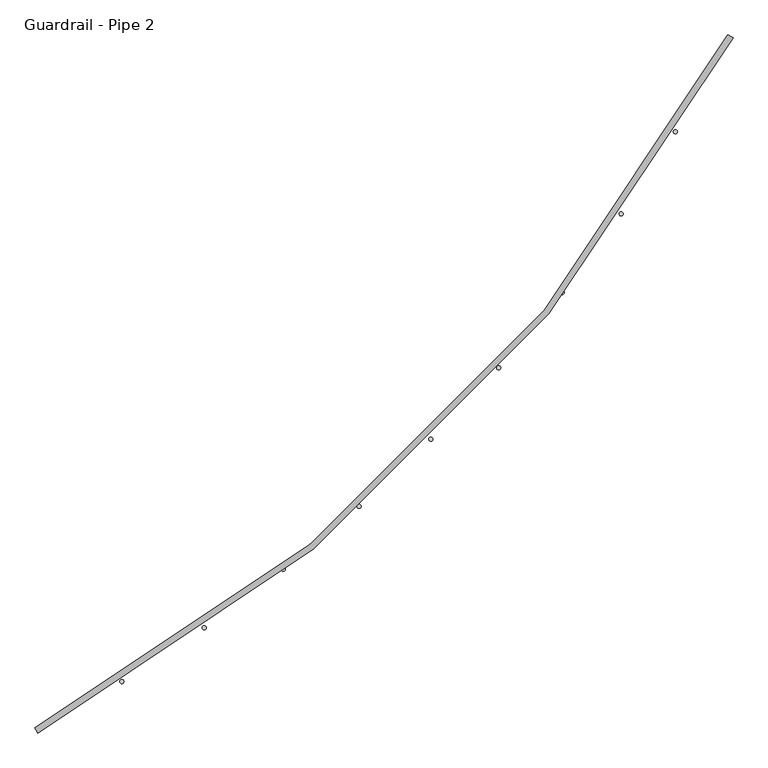
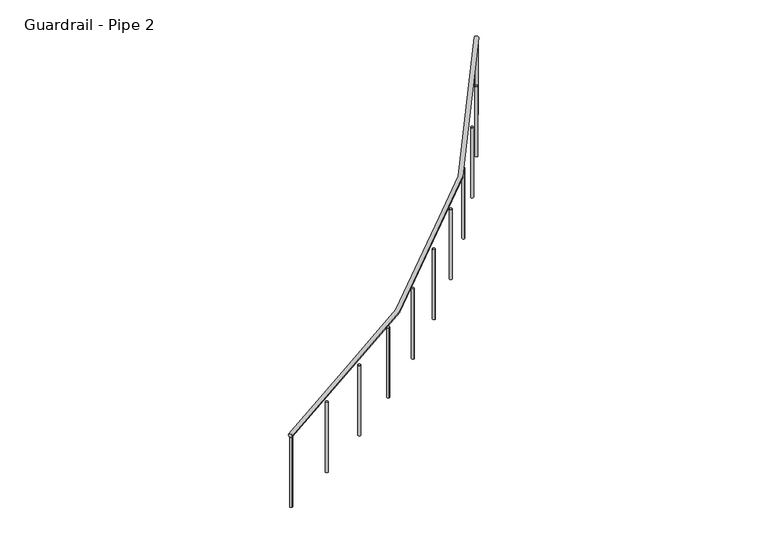
"""IFC4 building model written with IfcOpenShell, lengths in millimetres: railing geometry, Guardrail - Pipe 2."""

from ifc_helpers import new_model, si_unit, point, frame, frame_2d, origin, place, context, project, spatial, circle_curve, ellipse_curve, trimmed, segment, composite_curve, outline, extrude, source, transform, mapped, element, save
from ifc_brep_helpers import plane_surface, revolved_surface, advanced_brep


def guardrail_pipe_2_d2180167(model_context):
    return source(origin(), model_context, "Body", "SolidModel", [
        advanced_brep(
        [(572493.4695853, -280436.2315517, 5010.15), (568187.048997, -284742.65214, 5010.15), (568169.1195853, -284709.0344929, 5010.15), (572459.8519382, -280418.30214, 5010.15)],
        [
            (0, 1, circle_curve(frame((563265.4254676, -275514.6080223, 5010.15), z_axis=(0.0, 0.0, -1.0), x_axis=(0.4705882352937801, -0.8823529411766506, 0.0)), 10458.45)),
            (1, 2, circle_curve(frame((568178.0842911, -284725.8433165, 5010.15), z_axis=(0.8823529411766499, 0.4705882352937815, 0.0), x_axis=(-0.4705882352937815, 0.8823529411766499, 0.0)), 19.05)),
            (2, 3, circle_curve(frame((563265.4254676, -275514.6080223, 5010.15), z_axis=(0.0, 0.0, 1.0), x_axis=(0.4705882352937801, -0.8823529411766506, 0.0)), 10420.35)),
            (3, 0, circle_curve(frame((572476.6607617, -280427.2668459, 5010.15), z_axis=(-0.47058823529380517, -0.8823529411766373, 0.0), x_axis=(-0.8823529411766373, 0.47058823529380517, 0.0)), 19.05)),
            (2, 1, circle_curve(frame((568178.0842911, -284725.8433165, 5010.15), z_axis=(0.8823529411766499, 0.4705882352937815, 0.0), x_axis=(-0.4705882352937815, 0.8823529411766499, 0.0)), 19.05)),
            (0, 3, circle_curve(frame((572476.6607617, -280427.2668459, 5010.15), z_axis=(-0.4705882352938036, -0.8823529411766381, 0.0), x_axis=(-0.8823529411766381, 0.4705882352938036, 0.0)), 19.05)),
        ],
        [
            revolved_surface(trimmed(ellipse_curve(frame((568178.0842911, -284725.8433165, 5010.15), z_axis=(-0.8823529411766506, -0.4705882352937801, 0.0), x_axis=(-0.4705882352937801, 0.8823529411766506, 0.0)), 19.05, 19.05), [point((568169.1195853, -284709.0344929, 5010.15))], [point((568187.048997, -284742.65214, 5010.15))], True, "CARTESIAN"), (563265.4254676, -275514.6080223, 5029.2), (0.0, 0.0, 1.0)),
            revolved_surface(trimmed(ellipse_curve(frame((568178.0842911, -284725.8433165, 5010.15), z_axis=(-0.8823529411766506, -0.4705882352937801, 0.0), x_axis=(-0.4705882352937801, 0.8823529411766506, 0.0)), 19.05, 19.05), [point((568187.048997, -284742.65214, 5010.15))], [point((568169.1195853, -284709.0344929, 5010.15))], True, "CARTESIAN"), (563265.4254676, -275514.6080223, 5029.2), (0.0, 0.0, 1.0)),
            plane_surface(frame((568178.0842911, -284725.8433165, 5029.2), z_axis=(-0.8823529411766506, -0.4705882352937801, 0.0), x_axis=(0.4705882352937801, -0.8823529411766506, 0.0))),
            plane_surface(frame((572476.6607617, -280427.2668459, 5029.2), z_axis=(0.4705882352938082, 0.8823529411766357, 0.0), x_axis=(0.8823529411766357, -0.4705882352938082, 0.0))),
        ],
        [
            (0, [[1, 2, 3, 4]]),
            (1, [[-3, 5, -1, 6]]),
            (2, [[-5, -2]]),
            (3, [[-4, -6]]),
        ],
    ),
        extrude(outline(composite_curve([segment(trimmed(circle_curve(frame_2d((572442.3450203, -280491.0746286)), 12.7), [point((572453.509156, -280497.1287242))], [point((572431.1808846, -280485.020533))], False, "CARTESIAN"), True, "CONTINUOUS"), segment(trimmed(circle_curve(frame_2d((572442.3450203, -280491.0746286)), 12.7), [point((572431.1808846, -280485.020533))], [point((572453.509156, -280497.1287242))], False, "CARTESIAN"), True, "CONTINUOUS")], self_intersect=False)), frame((0.0, 0.0, 4267.2), z_axis=(0.0, 0.0, 1.0), x_axis=(1.0, 0.0, 0.0)), (0.0, 0.0, 1.0), 723.9),
        extrude(outline(composite_curve([segment(trimmed(circle_curve(frame_2d((572136.2719093, -281018.1664865)), 12.7), [point((572147.0636932, -281024.8618131))], [point((572125.4801253, -281011.4711599))], False, "CARTESIAN"), True, "CONTINUOUS"), segment(trimmed(circle_curve(frame_2d((572136.2719093, -281018.1664865)), 12.7), [point((572125.4801253, -281011.4711599))], [point((572147.0636932, -281024.8618131))], False, "CARTESIAN"), True, "CONTINUOUS")], self_intersect=False)), frame((0.0, 0.0, 4267.2), z_axis=(0.0, 0.0, 1.0), x_axis=(1.0, 0.0, 0.0)), (0.0, 0.0, 1.0), 723.9),
        extrude(outline(composite_curve([segment(trimmed(circle_curve(frame_2d((571799.9588885, -281526.4972136)), 12.7), [point((571810.3415326, -281533.8109474))], [point((571789.5762444, -281519.1834798))], False, "CARTESIAN"), True, "CONTINUOUS"), segment(trimmed(circle_curve(frame_2d((571799.9588885, -281526.4972136)), 12.7), [point((571789.5762444, -281519.1834798))], [point((571810.3415326, -281533.8109474))], False, "CARTESIAN"), True, "CONTINUOUS")], self_intersect=False)), frame((0.0, 0.0, 4267.2), z_axis=(0.0, 0.0, 1.0), x_axis=(1.0, 0.0, 0.0)), (0.0, 0.0, 1.0), 723.9),
        extrude(outline(composite_curve([segment(trimmed(circle_curve(frame_2d((571434.5524186, -282014.3339565)), 12.7), [point((571444.4905292, -282022.2411657))], [point((571424.6143079, -282006.4267473))], False, "CARTESIAN"), True, "CONTINUOUS"), segment(trimmed(circle_curve(frame_2d((571434.5524186, -282014.3339565)), 12.7), [point((571424.6143079, -282006.4267473))], [point((571444.4905292, -282022.2411657))], False, "CARTESIAN"), True, "CONTINUOUS")], self_intersect=False)), frame((0.0, 0.0, 4267.2), z_axis=(0.0, 0.0, 1.0), x_axis=(1.0, 0.0, 0.0)), (0.0, 0.0, 1.0), 723.9),
        extrude(outline(composite_curve([segment(trimmed(circle_curve(frame_2d((571041.2981369, -282480.0137241)), 12.7), [point((571050.7578361, -282488.4874537))], [point((571031.8384378, -282471.5399945))], False, "CARTESIAN"), True, "CONTINUOUS"), segment(trimmed(circle_curve(frame_2d((571041.2981369, -282480.0137241)), 12.7), [point((571031.8384378, -282471.5399945))], [point((571050.7578361, -282488.4874537))], False, "CARTESIAN"), True, "CONTINUOUS")], self_intersect=False)), frame((0.0, 0.0, 4267.2), z_axis=(0.0, 0.0, 1.0), x_axis=(1.0, 0.0, 0.0)), (0.0, 0.0, 1.0), 723.9),
        extrude(outline(composite_curve([segment(trimmed(circle_curve(frame_2d((570621.5366117, -282921.9490564)), 12.7), [point((570630.4856521, -282930.9604202))], [point((570612.5875714, -282912.9376926))], False, "CARTESIAN"), True, "CONTINUOUS"), segment(trimmed(circle_curve(frame_2d((570621.5366117, -282921.9490564)), 12.7), [point((570612.5875714, -282912.9376926))], [point((570630.4856521, -282930.9604202))], False, "CARTESIAN"), True, "CONTINUOUS")], self_intersect=False)), frame((0.0, 0.0, 4267.2), z_axis=(0.0, 0.0, 1.0), x_axis=(1.0, 0.0, 0.0)), (0.0, 0.0, 1.0), 723.9),
        extrude(outline(composite_curve([segment(trimmed(circle_curve(frame_2d((570176.6987719, -283338.633436)), 12.7), [point((570185.1066469, -283348.1517151))], [point((570168.2908968, -283329.1151569))], False, "CARTESIAN"), True, "CONTINUOUS"), segment(trimmed(circle_curve(frame_2d((570176.6987719, -283338.633436)), 12.7), [point((570168.2908968, -283329.1151569))], [point((570185.1066469, -283348.1517151))], False, "CARTESIAN"), True, "CONTINUOUS")], self_intersect=False)), frame((0.0, 0.0, 4267.2), z_axis=(0.0, 0.0, 1.0), x_axis=(1.0, 0.0, 0.0)), (0.0, 0.0, 1.0), 723.9),
        extrude(outline(composite_curve([segment(trimmed(circle_curve(frame_2d((569708.3010291, -283728.6464237)), 12.7), [point((569716.1390772, -283738.6391712))], [point((569700.462981, -283718.6536763))], False, "CARTESIAN"), True, "CONTINUOUS"), segment(trimmed(circle_curve(frame_2d((569708.3010291, -283728.6464237)), 12.7), [point((569700.462981, -283718.6536763))], [point((569716.1390772, -283738.6391712))], False, "CARTESIAN"), True, "CONTINUOUS")], self_intersect=False)), frame((0.0, 0.0, 4267.2), z_axis=(0.0, 0.0, 1.0), x_axis=(1.0, 0.0, 0.0)), (0.0, 0.0, 1.0), 723.9),
        extrude(outline(composite_curve([segment(trimmed(circle_curve(frame_2d((569217.9401088, -284090.6585006)), 12.7), [point((569225.1816108, -284101.0916521))], [point((569210.6986068, -284080.2253492))], False, "CARTESIAN"), True, "CONTINUOUS"), segment(trimmed(circle_curve(frame_2d((569217.9401088, -284090.6585006)), 12.7), [point((569210.6986068, -284080.2253492))], [point((569225.1816108, -284101.0916521))], False, "CARTESIAN"), True, "CONTINUOUS")], self_intersect=False)), frame((0.0, 0.0, 4267.2), z_axis=(0.0, 0.0, 1.0), x_axis=(1.0, 0.0, 0.0)), (0.0, 0.0, 1.0), 723.9),
        extrude(outline(composite_curve([segment(trimmed(circle_curve(frame_2d((568707.2876068, -284423.4356005)), 12.7), [point((568713.9078771, -284434.2735903))], [point((568700.6673366, -284412.5976108))], False, "CARTESIAN"), True, "CONTINUOUS"), segment(trimmed(circle_curve(frame_2d((568707.2876068, -284423.4356005)), 12.7), [point((568700.6673366, -284412.5976108))], [point((568713.9078771, -284434.2735903))], False, "CARTESIAN"), True, "CONTINUOUS")], self_intersect=False)), frame((0.0, 0.0, 4267.2), z_axis=(0.0, 0.0, 1.0), x_axis=(1.0, 0.0, 0.0)), (0.0, 0.0, 1.0), 723.9),
        extrude(outline(composite_curve([segment(trimmed(circle_curve(frame_2d((572470.6774764, -280438.4690901)), 12.7), [point((572481.8760798, -280444.4591888))], [point((572459.478873, -280432.4789915))], False, "CARTESIAN"), True, "CONTINUOUS"), segment(trimmed(circle_curve(frame_2d((572470.6774764, -280438.4690901)), 12.7), [point((572459.478873, -280432.4789915))], [point((572481.8760798, -280444.4591888))], False, "CARTESIAN"), True, "CONTINUOUS")], self_intersect=False)), frame((0.0, 0.0, 4267.2), z_axis=(0.0, 0.0, 1.0), x_axis=(1.0, 0.0, 0.0)), (0.0, 0.0, 1.0), 723.9),
        extrude(outline(composite_curve([segment(trimmed(circle_curve(frame_2d((568189.2865354, -284719.8600311)), 12.7), [point((568195.276634, -284731.0586345))], [point((568183.2964368, -284708.6614277))], False, "CARTESIAN"), True, "CONTINUOUS"), segment(trimmed(circle_curve(frame_2d((568189.2865354, -284719.8600311)), 12.7), [point((568183.2964368, -284708.6614277))], [point((568195.276634, -284731.0586345))], False, "CARTESIAN"), True, "CONTINUOUS")], self_intersect=False)), frame((0.0, 0.0, 4267.2), z_axis=(0.0, 0.0, 1.0), x_axis=(1.0, 0.0, 0.0)), (0.0, 0.0, 1.0), 723.9),
    ])


if __name__ == "__main__":
    model = new_model("IFC4")
    model_context = context("Model", 3, world=origin())
    ifc_project = project(units=[si_unit("LENGTHUNIT", "METRE", prefix="MILLI")], contexts=[model_context])
    site = spatial("IfcSite", under=ifc_project)
    building = spatial("IfcBuilding", under=site)
    placement = place(None, origin())
    guardrail_pipe_2_shape = guardrail_pipe_2_d2180167(model_context)
    element("IfcRailing", 1, ObjectType="Guardrail - Pipe 2", at=placement, inside=building, context=model_context, shape_type="MappedRepresentation", body=[
        mapped(guardrail_pipe_2_shape, transform((0.0, 0.0, 0.0), x_axis=(1.0, 0.0, 0.0), y_axis=(0.0, 1.0, 0.0), z_axis=(0.0, 0.0, 1.0))),
    ])
    save(model, "model.ifc")
